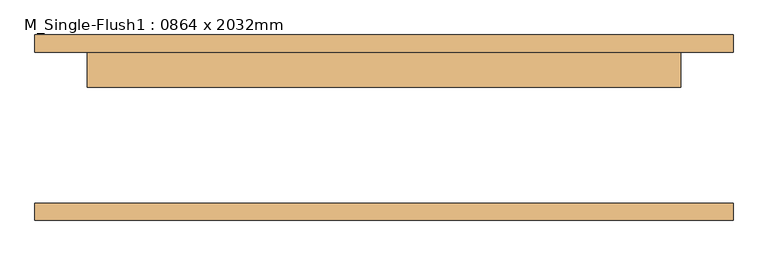
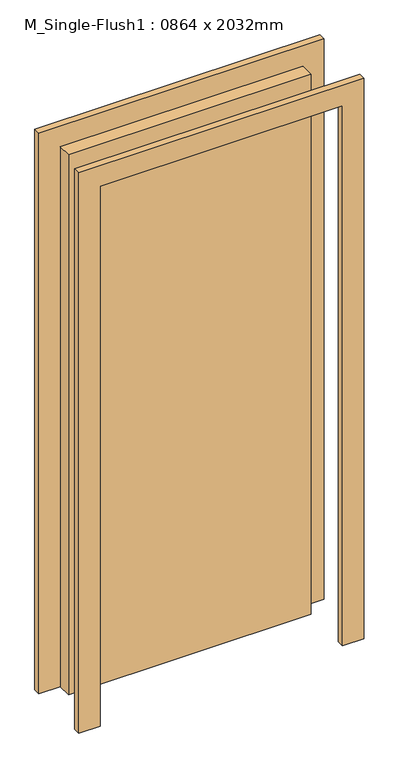
"""IFC4 building model written with IfcOpenShell, lengths in millimetres: door geometry, M_Single-Flush1 : 0864 x 2032mm."""

from ifc_helpers import new_model, si_unit, frame, origin, origin_with_axes, place, context, project, spatial, polyline, outline, extrude, source, transform, mapped, element, save


def m_single_flush1_0864_x_2032mm_0d56f6d4(model_context):
    return source(origin(), model_context, "Body", "SweptSolid", [
        extrude(outline(polyline([(2108.0, -508.0), (0.0, -508.0), (0.0, -432.0), (2032.0, -432.0), (2032.0, 432.0), (0.0, 432.0), (0.0, 508.0), (2108.0, 508.0), (2108.0, -508.0)])), frame((0.0, 110.0, 0.0), z_axis=(0.0, 1.0, 0.0), x_axis=(0.0, 0.0, 1.0)), (0.0, 0.0, 1.0), 25.0),
        extrude(outline(polyline([(2108.0, 508.0), (2108.0, -508.0), (0.0, -508.0), (0.0, -432.0), (2032.0, -432.0), (2032.0, 432.0), (0.0, 432.0), (0.0, 508.0), (2108.0, 508.0)])), frame((0.0, -135.0, 0.0), z_axis=(0.0, 1.0, 0.0), x_axis=(0.0, 0.0, 1.0)), (0.0, 0.0, 1.0), 25.0),
        extrude(outline(polyline([(432.0, 59.0), (-432.0, 59.0), (-432.0, 110.0), (432.0, 110.0), (432.0, 59.0)])), origin_with_axes(), (0.0, 0.0, 1.0), 2032.0),
    ])


if __name__ == "__main__":
    model = new_model("IFC4")
    model_context = context("Model", 3, world=origin())
    ifc_project = project(units=[si_unit("LENGTHUNIT", "METRE", prefix="MILLI")], contexts=[model_context])
    site = spatial("IfcSite", under=ifc_project)
    building = spatial("IfcBuilding", under=site)
    placement = place(None, origin())
    m_single_flush1_0864_x_2032mm_shape = m_single_flush1_0864_x_2032mm_0d56f6d4(model_context)
    element("IfcDoor", 1, ObjectType="M_Single-Flush1 : 0864 x 2032mm", at=placement, inside=building, context=model_context, shape_type="MappedRepresentation", body=[
        mapped(m_single_flush1_0864_x_2032mm_shape, transform((0.0, 0.0, 0.0), x_axis=(1.0, 0.0, 0.0), y_axis=(0.0, 1.0, 0.0), z_axis=(0.0, 0.0, 1.0))),
    ])
    save(model, "model.ifc")
